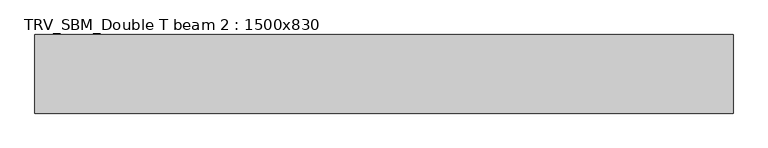
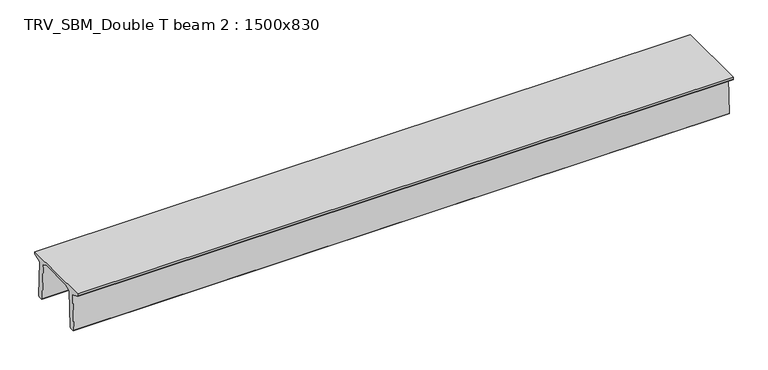
"""IFC4 building model written with IfcOpenShell, lengths in millimetres: beam geometry, TRV_SBM_Double T beam 2 : 1500x830."""

from ifc_helpers import new_model, si_unit, frame, origin, place, context, project, spatial, polyline, outline, extrude, source, transform, mapped, element, save


def trv_sbm_double_t_beam_2_1500x830_8c67ee2b(model_context):
    return source(origin(), model_context, "Body", "SweptSolid", [
        extrude(outline(polyline([(337.4555014, 470.0), (-343.4555014, 470.0), (-456.5828437, 409.8491251), (-494.786332, -340.5206011), (-514.2657308, -360.0), (-604.2657308, -360.0), (-624.8277662, -339.4379646), (-586.9373878, 401.9654693), (-752.8511046, 468.9989621), (-753.0, 475.0), (-753.0, 520.0), (747.0, 520.0), (747.0, 475.0), (746.8511046, 468.9989621), (580.9373878, 401.9654693), (618.8277662, -339.4379646), (598.2657308, -360.0), (508.2657308, -360.0), (488.786332, -340.5206011), (450.5828437, 409.8491251), (337.4555014, 470.0)])), frame((-6662.5, 0.0, 0.0), z_axis=(1.0, 0.0, 0.0), x_axis=(0.0, 1.0, 0.0)), (0.0, 0.0, 1.0), 13325.0),
    ])


if __name__ == "__main__":
    model = new_model("IFC4")
    model_context = context("Model", 3, world=origin())
    ifc_project = project(units=[si_unit("LENGTHUNIT", "METRE", prefix="MILLI")], contexts=[model_context])
    site = spatial("IfcSite", under=ifc_project)
    building = spatial("IfcBuilding", under=site)
    placement = place(None, origin())
    trv_sbm_double_t_beam_2_1500x830_shape = trv_sbm_double_t_beam_2_1500x830_8c67ee2b(model_context)
    element("IfcBeam", 1, ObjectType="TRV_SBM_Double T beam 2 : 1500x830", at=placement, inside=building, context=model_context, shape_type="MappedRepresentation", body=[
        mapped(trv_sbm_double_t_beam_2_1500x830_shape, transform((0.0, 0.0, 0.0), x_axis=(1.0, 0.0, 0.0), y_axis=(0.0, 1.0, 0.0), z_axis=(0.0, 0.0, 1.0))),
    ])
    save(model, "model.ifc")
